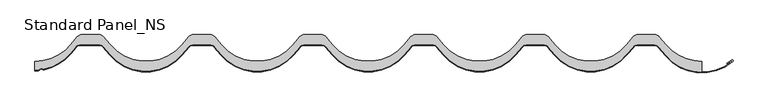
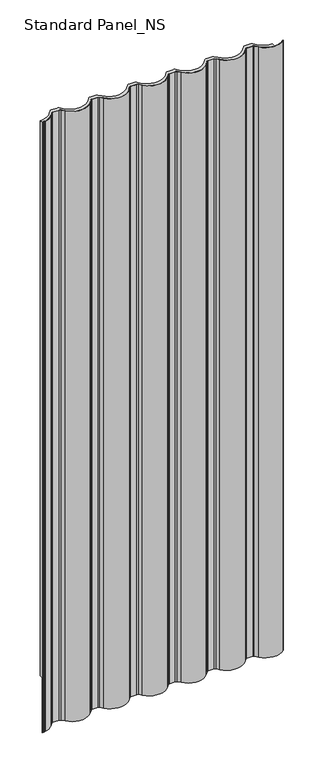
"""IFC4 building model written with IfcOpenShell, lengths in millimetres: proxy geometry, Standard Panel_NS."""

from ifc_helpers import new_model, si_unit, point, frame, frame_2d, origin, origin_with_axes, place, context, project, spatial, polyline, circle_curve, trimmed, segment, composite_curve, outline, extrude, source, transform, mapped, element, save


def standard_panel_ns_9e74f8e4(model_context):
    return source(origin(), model_context, "Body", "SweptSolid", [
        extrude(outline(composite_curve([segment(polyline([(-445.9357723, -14.7894789), (-436.1486229, -3.1256084)]), True, "CONTINUOUS"), segment(trimmed(circle_curve(frame_2d((-429.445734, -8.75)), 8.75), [point((-436.1486229, -3.1256084))], [point((-429.445734, 0.0))], False, "CARTESIAN"), True, "CONTINUOUS"), segment(polyline([(-429.445734, 0.0), (-403.8880846, 0.0)]), True, "CONTINUOUS"), segment(trimmed(circle_curve(frame_2d((-403.8880846, -8.75)), 8.75), [point((-403.8880846, 0.0))], [point((-397.1851957, -3.1256084))], False, "CARTESIAN"), True, "CONTINUOUS"), segment(polyline([(-397.1851957, -3.1256084), (-387.3980463, -14.7894789)]), True, "CONTINUOUS"), segment(trimmed(circle_curve(frame_2d((-333.3339093, 30.5757185)), 70.5757185), [point((-387.3980463, -14.7894789))], [point((-279.2697723, -14.7894789))], True, "CARTESIAN"), True, "CONTINUOUS"), segment(polyline([(-279.2697723, -14.7894789), (-269.4826229, -3.1256084)]), True, "CONTINUOUS"), segment(trimmed(circle_curve(frame_2d((-262.779734, -8.75)), 8.75), [point((-269.4826229, -3.1256084))], [point((-262.779734, 0.0))], False, "CARTESIAN"), True, "CONTINUOUS"), segment(polyline([(-262.779734, 0.0), (-237.2220846, 0.0)]), True, "CONTINUOUS"), segment(trimmed(circle_curve(frame_2d((-237.2220846, -8.75)), 8.75), [point((-237.2220846, 0.0))], [point((-230.5191957, -3.1256084))], False, "CARTESIAN"), True, "CONTINUOUS"), segment(polyline([(-230.5191957, -3.1256084), (-220.7320463, -14.7894789)]), True, "CONTINUOUS"), segment(trimmed(circle_curve(frame_2d((-166.6679093, 30.5757185)), 70.5757185), [point((-220.7320463, -14.7894789))], [point((-112.6037723, -14.7894789))], True, "CARTESIAN"), True, "CONTINUOUS"), segment(polyline([(-112.6037723, -14.7894789), (-102.8166229, -3.1256084)]), True, "CONTINUOUS"), segment(trimmed(circle_curve(frame_2d((-96.113734, -8.75)), 8.75), [point((-102.8166229, -3.1256084))], [point((-96.113734, 0.0))], False, "CARTESIAN"), True, "CONTINUOUS"), segment(polyline([(-96.113734, 0.0), (-70.5560846, 0.0)]), True, "CONTINUOUS"), segment(trimmed(circle_curve(frame_2d((-70.5560846, -8.75)), 8.75), [point((-70.5560846, 0.0))], [point((-63.8531957, -3.1256084))], False, "CARTESIAN"), True, "CONTINUOUS"), segment(polyline([(-63.8531957, -3.1256084), (-54.0660463, -14.7894789)]), True, "CONTINUOUS"), segment(trimmed(circle_curve(frame_2d((-0.0019093, 30.5757185)), 70.5757185), [point((-54.0660463, -14.7894789))], [point((54.0622277, -14.7894789))], True, "CARTESIAN"), True, "CONTINUOUS"), segment(polyline([(54.0622277, -14.7894789), (63.8493771, -3.1256084)]), True, "CONTINUOUS"), segment(trimmed(circle_curve(frame_2d((70.552266, -8.75)), 8.75), [point((63.8493771, -3.1256084))], [point((70.552266, 0.0))], False, "CARTESIAN"), True, "CONTINUOUS"), segment(polyline([(70.552266, 0.0), (96.1099154, 0.0)]), True, "CONTINUOUS"), segment(trimmed(circle_curve(frame_2d((96.1099154, -8.75)), 8.75), [point((96.1099154, 0.0))], [point((102.8128043, -3.1256084))], False, "CARTESIAN"), True, "CONTINUOUS"), segment(polyline([(102.8128043, -3.1256084), (112.5999537, -14.7894789)]), True, "CONTINUOUS"), segment(trimmed(circle_curve(frame_2d((166.6640907, 30.5757185)), 70.5757185), [point((112.5999537, -14.7894789))], [point((220.7282277, -14.7894789))], True, "CARTESIAN"), True, "CONTINUOUS"), segment(polyline([(220.7282277, -14.7894789), (230.5153771, -3.1256084)]), True, "CONTINUOUS"), segment(trimmed(circle_curve(frame_2d((237.218266, -8.75)), 8.75), [point((230.5153771, -3.1256084))], [point((237.218266, 0.0))], False, "CARTESIAN"), True, "CONTINUOUS"), segment(polyline([(237.218266, 0.0), (262.7759154, 0.0)]), True, "CONTINUOUS"), segment(trimmed(circle_curve(frame_2d((262.7759154, -8.75)), 8.75), [point((262.7759154, 0.0))], [point((269.4788043, -3.1256084))], False, "CARTESIAN"), True, "CONTINUOUS"), segment(polyline([(269.4788043, -3.1256084), (279.2659537, -14.7894789)]), True, "CONTINUOUS"), segment(trimmed(circle_curve(frame_2d((333.3300907, 30.5757185)), 70.5757185), [point((279.2659537, -14.7894789))], [point((387.3942277, -14.7894789))], True, "CARTESIAN"), True, "CONTINUOUS"), segment(polyline([(387.3942277, -14.7894789), (397.1813771, -3.1256084)]), True, "CONTINUOUS"), segment(trimmed(circle_curve(frame_2d((403.884266, -8.75)), 8.75), [point((397.1813771, -3.1256084))], [point((403.884266, 0.0))], False, "CARTESIAN"), True, "CONTINUOUS"), segment(polyline([(403.884266, 0.0), (429.4425754, 0.0)]), True, "CONTINUOUS"), segment(trimmed(circle_curve(frame_2d((429.4425754, -8.75)), 8.75), [point((429.4425754, 0.0))], [point((436.2053545, -3.1977644))], False, "CARTESIAN"), True, "CONTINUOUS"), segment(polyline([(436.2053545, -3.1977644), (445.9341202, -14.7912741)]), True, "CONTINUOUS"), segment(trimmed(circle_curve(frame_2d((499.9967507, 30.5757185)), 70.5757185), [point((445.9341202, -14.7912741))], [point((499.9999093, -39.9999999))], True, "CARTESIAN"), True, "CONTINUOUS"), segment(polyline([(499.9999093, -39.9999999), (499.9999093, -56.5627177)]), True, "CONTINUOUS"), segment(trimmed(circle_curve(frame_2d((499.996521, 13.5131508)), 70.0758685), [point((499.9999093, -56.5627177))], [point((446.3159032, -31.5314785))], False, "CARTESIAN"), True, "CONTINUOUS"), segment(polyline([(446.3159032, -31.5314785), (435.3078488, -18.412952)]), True, "CONTINUOUS"), segment(trimmed(circle_curve(frame_2d((427.9886198, -24.5546837)), 9.5546837), [point((435.3078488, -18.412952))], [point((427.9886198, -15.0))], True, "CARTESIAN"), True, "CONTINUOUS"), segment(polyline([(427.9886198, -15.0), (403.8841753, -15.0)]), True, "CONTINUOUS"), segment(trimmed(circle_curve(frame_2d((403.8841753, -24.25)), 9.25), [point((403.8841753, -15.0))], [point((396.7982642, -18.3042146))], True, "CARTESIAN"), True, "CONTINUOUS"), segment(polyline([(396.7982642, -18.3042146), (387.0111148, -29.9680851)]), True, "CONTINUOUS"), segment(trimmed(circle_curve(frame_2d((333.33, 15.0757185)), 70.0757185), [point((387.0111148, -29.9680851))], [point((279.6488852, -29.9680851))], False, "CARTESIAN"), True, "CONTINUOUS"), segment(polyline([(279.6488852, -29.9680851), (269.8617358, -18.3042146)]), True, "CONTINUOUS"), segment(trimmed(circle_curve(frame_2d((262.7758247, -24.25)), 9.25), [point((269.8617358, -18.3042146))], [point((262.7758247, -15.0))], True, "CARTESIAN"), True, "CONTINUOUS"), segment(polyline([(262.7758247, -15.0), (237.2181753, -15.0)]), True, "CONTINUOUS"), segment(trimmed(circle_curve(frame_2d((237.2181753, -24.25)), 9.25), [point((237.2181753, -15.0))], [point((230.1322642, -18.3042146))], True, "CARTESIAN"), True, "CONTINUOUS"), segment(polyline([(230.1322642, -18.3042146), (220.3451148, -29.9680851)]), True, "CONTINUOUS"), segment(trimmed(circle_curve(frame_2d((166.664, 15.0757185)), 70.0757185), [point((220.3451148, -29.9680851))], [point((112.9828852, -29.9680851))], False, "CARTESIAN"), True, "CONTINUOUS"), segment(polyline([(112.9828852, -29.9680851), (103.1957358, -18.3042146)]), True, "CONTINUOUS"), segment(trimmed(circle_curve(frame_2d((96.1098247, -24.25)), 9.25), [point((103.1957358, -18.3042146))], [point((96.1098247, -15.0))], True, "CARTESIAN"), True, "CONTINUOUS"), segment(polyline([(96.1098247, -15.0), (70.5521753, -15.0)]), True, "CONTINUOUS"), segment(trimmed(circle_curve(frame_2d((70.5521753, -24.25)), 9.25), [point((70.5521753, -15.0))], [point((63.4662642, -18.3042146))], True, "CARTESIAN"), True, "CONTINUOUS"), segment(polyline([(63.4662642, -18.3042146), (53.6791148, -29.9680851)]), True, "CONTINUOUS"), segment(trimmed(circle_curve(frame_2d((-0.002, 15.0757185)), 70.0757185), [point((53.6791148, -29.9680851))], [point((-53.6831148, -29.9680851))], False, "CARTESIAN"), True, "CONTINUOUS"), segment(polyline([(-53.6831148, -29.9680851), (-63.4702642, -18.3042146)]), True, "CONTINUOUS"), segment(trimmed(circle_curve(frame_2d((-70.5561753, -24.25)), 9.25), [point((-63.4702642, -18.3042146))], [point((-70.5561753, -15.0))], True, "CARTESIAN"), True, "CONTINUOUS"), segment(polyline([(-70.5561753, -15.0), (-96.1138247, -15.0)]), True, "CONTINUOUS"), segment(trimmed(circle_curve(frame_2d((-96.1138247, -24.25)), 9.25), [point((-96.1138247, -15.0))], [point((-103.1997358, -18.3042146))], True, "CARTESIAN"), True, "CONTINUOUS"), segment(polyline([(-103.1997358, -18.3042146), (-112.9868852, -29.9680851)]), True, "CONTINUOUS"), segment(trimmed(circle_curve(frame_2d((-166.668, 15.0757185)), 70.0757185), [point((-112.9868852, -29.9680851))], [point((-220.3491148, -29.9680851))], False, "CARTESIAN"), True, "CONTINUOUS"), segment(polyline([(-220.3491148, -29.9680851), (-230.1362642, -18.3042146)]), True, "CONTINUOUS"), segment(trimmed(circle_curve(frame_2d((-237.2221753, -24.25)), 9.25), [point((-230.1362642, -18.3042146))], [point((-237.2221753, -15.0))], True, "CARTESIAN"), True, "CONTINUOUS"), segment(polyline([(-237.2221753, -15.0), (-262.7798247, -15.0)]), True, "CONTINUOUS"), segment(trimmed(circle_curve(frame_2d((-262.7798247, -24.25)), 9.25), [point((-262.7798247, -15.0))], [point((-269.8657358, -18.3042146))], True, "CARTESIAN"), True, "CONTINUOUS"), segment(polyline([(-269.8657358, -18.3042146), (-279.6528852, -29.9680851)]), True, "CONTINUOUS"), segment(trimmed(circle_curve(frame_2d((-333.334, 15.0757185)), 70.0757185), [point((-279.6528852, -29.9680851))], [point((-387.0151148, -29.9680851))], False, "CARTESIAN"), True, "CONTINUOUS"), segment(polyline([(-387.0151148, -29.9680851), (-396.8022642, -18.3042146)]), True, "CONTINUOUS"), segment(trimmed(circle_curve(frame_2d((-403.8881753, -24.25)), 9.25), [point((-396.8022642, -18.3042146))], [point((-403.8881753, -15.0))], True, "CARTESIAN"), True, "CONTINUOUS"), segment(polyline([(-403.8881753, -15.0), (-431.8806851, -15.0)]), True, "CONTINUOUS"), segment(trimmed(circle_curve(frame_2d((-431.8806851, -24.25)), 9.25), [point((-431.8806851, -15.0))], [point((-438.9665962, -18.3042146))], True, "CARTESIAN"), True, "CONTINUOUS"), segment(trimmed(circle_curve(frame_2d((987.1713371, -1214.9760284)), 1861.6908536), [point((-438.9665962, -18.3042146))], [point((-447.2982034, -28.3042238))], True, "CARTESIAN"), True, "CONTINUOUS"), segment(trimmed(circle_curve(frame_2d((-500.2495937, 15.5000677)), 68.7216537), [point((-447.2982034, -28.3042238))], [point((-486.0111787, -51.7303809))], False, "CARTESIAN"), True, "CONTINUOUS"), segment(trimmed(circle_curve(frame_2d((-486.596017, -48.9689117)), 2.82272), [point((-486.0111787, -51.7303809))], [point((-488.0869852, -51.365735))], False, "CARTESIAN"), True, "CONTINUOUS"), segment(trimmed(circle_curve(frame_2d((-490.3061485, -54.8018214)), 4.0904004), [point((-488.0869852, -51.365735))], [point((-493.4260619, -52.1565397))], True, "CARTESIAN"), True, "CONTINUOUS"), segment(trimmed(circle_curve(frame_2d((-495.5188215, -50.4050302)), 2.7289977), [point((-493.4260619, -52.1565397))], [point((-495.2868953, -53.1241548))], False, "CARTESIAN"), True, "CONTINUOUS"), segment(trimmed(circle_curve(frame_2d((-500.0, 16.7775841)), 70.0604486), [point((-495.2868953, -53.1241548))], [point((-499.9999093, -53.2828645))], False, "CARTESIAN"), True, "CONTINUOUS"), segment(polyline([(-499.9999093, -53.2828645), (-499.9999093, -40.0)]), True, "CONTINUOUS"), segment(trimmed(circle_curve(frame_2d((-499.9999093, 30.5757185)), 70.5757185), [point((-499.9999093, -40.0))], [point((-445.9357723, -14.7894789))], True, "CARTESIAN"), True, "CONTINUOUS")], self_intersect=False)), origin_with_axes(), (0.0, 0.0, 1.0), 2527.968552),
        extrude(outline(composite_curve([segment(trimmed(circle_curve(frame_2d((-495.5188215, -50.4050302)), 2.7289977), [point((-495.2868953, -53.1241548))], [point((-493.4260619, -52.1565397))], True, "CARTESIAN"), True, "CONTINUOUS"), segment(trimmed(circle_curve(frame_2d((-490.3061485, -54.8018214)), 4.0904004), [point((-493.4260619, -52.1565397))], [point((-488.0869852, -51.365735))], False, "CARTESIAN"), True, "CONTINUOUS"), segment(trimmed(circle_curve(frame_2d((-486.596017, -48.9689117)), 2.82272), [point((-488.0869852, -51.365735))], [point((-486.0111787, -51.7303809))], True, "CARTESIAN"), True, "CONTINUOUS"), segment(trimmed(circle_curve(frame_2d((-500.2495937, 15.5000677)), 68.7216537), [point((-486.0111787, -51.7303809))], [point((-447.2982034, -28.3042238))], True, "CARTESIAN"), True, "CONTINUOUS"), segment(trimmed(circle_curve(frame_2d((987.1713371, -1214.9760284)), 1861.6908536), [point((-447.2982034, -28.3042238))], [point((-438.9665962, -18.3042146))], False, "CARTESIAN"), True, "CONTINUOUS"), segment(trimmed(circle_curve(frame_2d((-431.8806851, -24.25)), 9.25), [point((-438.9665962, -18.3042146))], [point((-431.8806851, -15.0))], False, "CARTESIAN"), True, "CONTINUOUS"), segment(polyline([(-431.8806851, -15.0), (-403.8881753, -15.0)]), True, "CONTINUOUS"), segment(trimmed(circle_curve(frame_2d((-403.8881753, -24.25)), 9.25), [point((-403.8881753, -15.0))], [point((-396.8022642, -18.3042146))], False, "CARTESIAN"), True, "CONTINUOUS"), segment(polyline([(-396.8022642, -18.3042146), (-387.0151148, -29.9680851)]), True, "CONTINUOUS"), segment(trimmed(circle_curve(frame_2d((-333.334, 15.0757185)), 70.0757185), [point((-387.0151148, -29.9680851))], [point((-279.6528852, -29.9680851))], True, "CARTESIAN"), True, "CONTINUOUS"), segment(polyline([(-279.6528852, -29.9680851), (-269.8657358, -18.3042146)]), True, "CONTINUOUS"), segment(trimmed(circle_curve(frame_2d((-262.7798247, -24.25)), 9.25), [point((-269.8657358, -18.3042146))], [point((-262.7798247, -15.0))], False, "CARTESIAN"), True, "CONTINUOUS"), segment(polyline([(-262.7798247, -15.0), (-237.2221753, -15.0)]), True, "CONTINUOUS"), segment(trimmed(circle_curve(frame_2d((-237.2221753, -24.25)), 9.25), [point((-237.2221753, -15.0))], [point((-230.1362642, -18.3042146))], False, "CARTESIAN"), True, "CONTINUOUS"), segment(polyline([(-230.1362642, -18.3042146), (-220.3491148, -29.9680851)]), True, "CONTINUOUS"), segment(trimmed(circle_curve(frame_2d((-166.668, 15.0757185)), 70.0757185), [point((-220.3491148, -29.9680851))], [point((-112.9868852, -29.9680851))], True, "CARTESIAN"), True, "CONTINUOUS"), segment(polyline([(-112.9868852, -29.9680851), (-103.1997358, -18.3042146)]), True, "CONTINUOUS"), segment(trimmed(circle_curve(frame_2d((-96.1138247, -24.25)), 9.25), [point((-103.1997358, -18.3042146))], [point((-96.1138247, -15.0))], False, "CARTESIAN"), True, "CONTINUOUS"), segment(polyline([(-96.1138247, -15.0), (-70.5561753, -15.0)]), True, "CONTINUOUS"), segment(trimmed(circle_curve(frame_2d((-70.5561753, -24.25)), 9.25), [point((-70.5561753, -15.0))], [point((-63.4702642, -18.3042146))], False, "CARTESIAN"), True, "CONTINUOUS"), segment(polyline([(-63.4702642, -18.3042146), (-53.6831148, -29.9680851)]), True, "CONTINUOUS"), segment(trimmed(circle_curve(frame_2d((-0.002, 15.0757185)), 70.0757185), [point((-53.6831148, -29.9680851))], [point((53.6791148, -29.9680851))], True, "CARTESIAN"), True, "CONTINUOUS"), segment(polyline([(53.6791148, -29.9680851), (63.4662642, -18.3042146)]), True, "CONTINUOUS"), segment(trimmed(circle_curve(frame_2d((70.5521753, -24.25)), 9.25), [point((63.4662642, -18.3042146))], [point((70.5521753, -15.0))], False, "CARTESIAN"), True, "CONTINUOUS"), segment(polyline([(70.5521753, -15.0), (96.1098247, -15.0)]), True, "CONTINUOUS"), segment(trimmed(circle_curve(frame_2d((96.1098247, -24.25)), 9.25), [point((96.1098247, -15.0))], [point((103.1957358, -18.3042146))], False, "CARTESIAN"), True, "CONTINUOUS"), segment(polyline([(103.1957358, -18.3042146), (112.9828852, -29.9680851)]), True, "CONTINUOUS"), segment(trimmed(circle_curve(frame_2d((166.664, 15.0757185)), 70.0757185), [point((112.9828852, -29.9680851))], [point((220.3451148, -29.9680851))], True, "CARTESIAN"), True, "CONTINUOUS"), segment(polyline([(220.3451148, -29.9680851), (230.1322642, -18.3042146)]), True, "CONTINUOUS"), segment(trimmed(circle_curve(frame_2d((237.2181753, -24.25)), 9.25), [point((230.1322642, -18.3042146))], [point((237.2181753, -15.0))], False, "CARTESIAN"), True, "CONTINUOUS"), segment(polyline([(237.2181753, -15.0), (262.7758247, -15.0)]), True, "CONTINUOUS"), segment(trimmed(circle_curve(frame_2d((262.7758247, -24.25)), 9.25), [point((262.7758247, -15.0))], [point((269.8617358, -18.3042146))], False, "CARTESIAN"), True, "CONTINUOUS"), segment(polyline([(269.8617358, -18.3042146), (279.6488852, -29.9680851)]), True, "CONTINUOUS"), segment(trimmed(circle_curve(frame_2d((333.33, 15.0757185)), 70.0757185), [point((279.6488852, -29.9680851))], [point((387.0111148, -29.9680851))], True, "CARTESIAN"), True, "CONTINUOUS"), segment(polyline([(387.0111148, -29.9680851), (396.7982642, -18.3042146)]), True, "CONTINUOUS"), segment(trimmed(circle_curve(frame_2d((403.8841753, -24.25)), 9.25), [point((396.7982642, -18.3042146))], [point((403.8841753, -15.0))], False, "CARTESIAN"), True, "CONTINUOUS"), segment(polyline([(403.8841753, -15.0), (427.9886198, -15.0)]), True, "CONTINUOUS"), segment(trimmed(circle_curve(frame_2d((427.9886198, -24.5546837)), 9.5546837), [point((427.9886198, -15.0))], [point((435.3078488, -18.412952))], False, "CARTESIAN"), True, "CONTINUOUS"), segment(polyline([(435.3078488, -18.412952), (446.3159032, -31.5314785)]), True, "CONTINUOUS"), segment(trimmed(circle_curve(frame_2d((499.996521, 13.5131508)), 70.0758685), [point((446.3159032, -31.5314785))], [point((545.7576616, -39.5579841))], True, "CARTESIAN"), True, "CONTINUOUS"), segment(trimmed(circle_curve(frame_2d((545.510792, -39.3124043)), 0.3482155), [point((545.7576616, -39.5579841))], [point((545.2774084, -39.0539742))], True, "CARTESIAN"), True, "CONTINUOUS"), segment(polyline([(545.2774084, -39.0539742), (537.7639543, -44.2869139), (537.1924344, -43.4663257), (544.6709926, -38.2576901)]), True, "CONTINUOUS"), segment(trimmed(circle_curve(frame_2d((545.510792, -39.3124043)), 1.3482155), [point((544.6709926, -38.2576901))], [point((546.4302848, -40.2984155))], False, "CARTESIAN"), True, "CONTINUOUS"), segment(trimmed(circle_curve(frame_2d((499.996521, 13.5131508)), 71.0758685), [point((546.4302848, -40.2984155))], [point((445.5498675, -32.1742765))], False, "CARTESIAN"), True, "CONTINUOUS"), segment(polyline([(445.5498675, -32.1742765), (434.541813, -19.05575)]), True, "CONTINUOUS"), segment(trimmed(circle_curve(frame_2d((427.9886198, -24.5546837)), 8.5546837), [point((434.541813, -19.05575))], [point((427.9886198, -16.0))], True, "CARTESIAN"), True, "CONTINUOUS"), segment(polyline([(427.9886198, -16.0), (403.8841753, -16.0)]), True, "CONTINUOUS"), segment(trimmed(circle_curve(frame_2d((403.8841753, -24.25)), 8.25), [point((403.8841753, -16.0))], [point((397.5643086, -18.9470022))], True, "CARTESIAN"), True, "CONTINUOUS"), segment(polyline([(397.5643086, -18.9470022), (387.7771592, -30.6108727)]), True, "CONTINUOUS"), segment(trimmed(circle_curve(frame_2d((333.33, 15.0757185)), 71.0757185), [point((387.7771592, -30.6108727))], [point((278.8828408, -30.6108727))], False, "CARTESIAN"), True, "CONTINUOUS"), segment(polyline([(278.8828408, -30.6108727), (269.0956914, -18.9470022)]), True, "CONTINUOUS"), segment(trimmed(circle_curve(frame_2d((262.7758247, -24.25)), 8.25), [point((269.0956914, -18.9470022))], [point((262.7758247, -16.0))], True, "CARTESIAN"), True, "CONTINUOUS"), segment(polyline([(262.7758247, -16.0), (237.2181753, -16.0)]), True, "CONTINUOUS"), segment(trimmed(circle_curve(frame_2d((237.2181753, -24.25)), 8.25), [point((237.2181753, -16.0))], [point((230.8983086, -18.9470022))], True, "CARTESIAN"), True, "CONTINUOUS"), segment(polyline([(230.8983086, -18.9470022), (221.1111592, -30.6108727)]), True, "CONTINUOUS"), segment(trimmed(circle_curve(frame_2d((166.664, 15.0757185)), 71.0757185), [point((221.1111592, -30.6108727))], [point((112.2168408, -30.6108727))], False, "CARTESIAN"), True, "CONTINUOUS"), segment(polyline([(112.2168408, -30.6108727), (102.4296914, -18.9470022)]), True, "CONTINUOUS"), segment(trimmed(circle_curve(frame_2d((96.1098247, -24.25)), 8.25), [point((102.4296914, -18.9470022))], [point((96.1098247, -16.0))], True, "CARTESIAN"), True, "CONTINUOUS"), segment(polyline([(96.1098247, -16.0), (70.5521753, -16.0)]), True, "CONTINUOUS"), segment(trimmed(circle_curve(frame_2d((70.5521753, -24.25)), 8.25), [point((70.5521753, -16.0))], [point((64.2323086, -18.9470022))], True, "CARTESIAN"), True, "CONTINUOUS"), segment(polyline([(64.2323086, -18.9470022), (54.4451592, -30.6108727)]), True, "CONTINUOUS"), segment(trimmed(circle_curve(frame_2d((-0.002, 15.0757185)), 71.0757185), [point((54.4451592, -30.6108727))], [point((-54.4491592, -30.6108727))], False, "CARTESIAN"), True, "CONTINUOUS"), segment(polyline([(-54.4491592, -30.6108727), (-64.2363086, -18.9470022)]), True, "CONTINUOUS"), segment(trimmed(circle_curve(frame_2d((-70.5561753, -24.25)), 8.25), [point((-64.2363086, -18.9470022))], [point((-70.5561753, -16.0))], True, "CARTESIAN"), True, "CONTINUOUS"), segment(polyline([(-70.5561753, -16.0), (-96.1138247, -16.0)]), True, "CONTINUOUS"), segment(trimmed(circle_curve(frame_2d((-96.1138247, -24.25)), 8.25), [point((-96.1138247, -16.0))], [point((-102.4336914, -18.9470022))], True, "CARTESIAN"), True, "CONTINUOUS"), segment(polyline([(-102.4336914, -18.9470022), (-112.2208408, -30.6108727)]), True, "CONTINUOUS"), segment(trimmed(circle_curve(frame_2d((-166.668, 15.0757185)), 71.0757185), [point((-112.2208408, -30.6108727))], [point((-221.1151592, -30.6108727))], False, "CARTESIAN"), True, "CONTINUOUS"), segment(polyline([(-221.1151592, -30.6108727), (-230.9023086, -18.9470022)]), True, "CONTINUOUS"), segment(trimmed(circle_curve(frame_2d((-237.2221753, -24.25)), 8.25), [point((-230.9023086, -18.9470022))], [point((-237.2221753, -16.0))], True, "CARTESIAN"), True, "CONTINUOUS"), segment(polyline([(-237.2221753, -16.0), (-262.7798247, -16.0)]), True, "CONTINUOUS"), segment(trimmed(circle_curve(frame_2d((-262.7798247, -24.25)), 8.25), [point((-262.7798247, -16.0))], [point((-269.0996914, -18.9470022))], True, "CARTESIAN"), True, "CONTINUOUS"), segment(polyline([(-269.0996914, -18.9470022), (-278.8868408, -30.6108727)]), True, "CONTINUOUS"), segment(trimmed(circle_curve(frame_2d((-333.334, 15.0757185)), 71.0757185), [point((-278.8868408, -30.6108727))], [point((-387.7811592, -30.6108727))], False, "CARTESIAN"), True, "CONTINUOUS"), segment(polyline([(-387.7811592, -30.6108727), (-397.5683086, -18.9470022)]), True, "CONTINUOUS"), segment(trimmed(circle_curve(frame_2d((-403.8881753, -24.25)), 8.25), [point((-397.5683086, -18.9470022))], [point((-403.8881753, -16.0))], True, "CARTESIAN"), True, "CONTINUOUS"), segment(polyline([(-403.8881753, -16.0), (-431.8806851, -16.0)]), True, "CONTINUOUS"), segment(trimmed(circle_curve(frame_2d((-431.8806851, -24.25)), 8.25), [point((-431.8806851, -16.0))], [point((-438.2005517, -18.9470022))], True, "CARTESIAN"), True, "CONTINUOUS"), segment(trimmed(circle_curve(frame_2d((987.1713371, -1214.9760284)), 1860.6908536), [point((-438.2005517, -18.9470022))], [point((-446.5276837, -28.9416399))], True, "CARTESIAN"), True, "CONTINUOUS"), segment(trimmed(circle_curve(frame_2d((-500.2495937, 15.5000677)), 69.7216537), [point((-446.5276837, -28.9416399))], [point((-485.803989, -52.7086817))], False, "CARTESIAN"), True, "CONTINUOUS"), segment(trimmed(circle_curve(frame_2d((-486.6092664, -49.0295873)), 3.7661926), [point((-485.803989, -52.7086817))], [point((-488.6436121, -52.1990738))], False, "CARTESIAN"), True, "CONTINUOUS"), segment(trimmed(circle_curve(frame_2d((-490.303811, -54.8033042)), 3.08841), [point((-488.6436121, -52.1990738))], [point((-492.6656061, -52.8132791))], True, "CARTESIAN"), True, "CONTINUOUS"), segment(trimmed(circle_curve(frame_2d((-495.5123422, -50.4045238)), 3.7290761), [point((-492.6656061, -52.8132791))], [point((-495.2112026, -54.1214208))], False, "CARTESIAN"), True, "CONTINUOUS"), segment(trimmed(circle_curve(frame_2d((-500.0, 16.7771098)), 71.0600747), [point((-495.2112026, -54.1214208))], [point((-500.0, -54.2829649))], False, "CARTESIAN"), True, "CONTINUOUS"), segment(polyline([(-500.0, -54.2829649), (-500.0, -53.2828645)]), True, "CONTINUOUS"), segment(trimmed(circle_curve(frame_2d((-500.0, 16.7775841)), 70.0604486), [point((-500.0, -53.2828645))], [point((-495.2868953, -53.1241548))], True, "CARTESIAN"), True, "CONTINUOUS")], self_intersect=False)), frame((0.0, 0.0, -250.0), z_axis=(0.0, 0.0, 1.0), x_axis=(1.0, 0.0, 0.0)), (0.0, 0.0, 1.0), 2777.968552),
    ])


if __name__ == "__main__":
    model = new_model("IFC4")
    model_context = context("Model", 3, world=origin())
    ifc_project = project(units=[si_unit("LENGTHUNIT", "METRE", prefix="MILLI")], contexts=[model_context])
    site = spatial("IfcSite", under=ifc_project)
    building = spatial("IfcBuilding", under=site)
    placement = place(None, origin())
    standard_panel_ns_shape = standard_panel_ns_9e74f8e4(model_context)
    element("IfcBuildingElementProxy", 1, Name="Standard Panel_NS", ObjectType="Standard Panel_NS", at=placement, inside=building, context=model_context, shape_type="MappedRepresentation", body=[
        mapped(standard_panel_ns_shape, transform((0.0, 0.0, 0.0), x_axis=(1.0, 0.0, 0.0), y_axis=(0.0, 1.0, 0.0), z_axis=(0.0, 0.0, 1.0))),
    ])
    save(model, "model.ifc")
